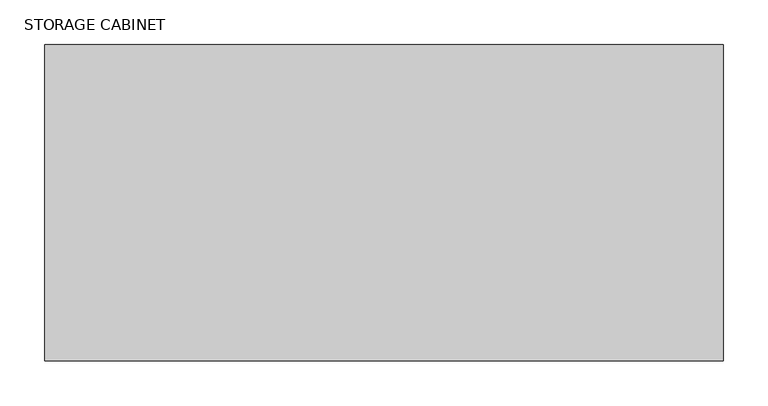
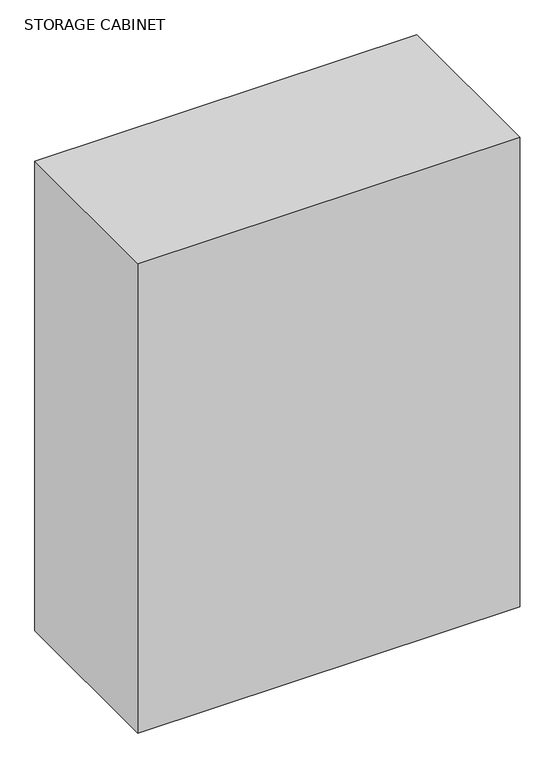
"""IFC4 building model written with IfcOpenShell, lengths in millimetres: proxy geometry, STORAGE CABINET."""

from ifc_helpers import new_model, si_unit, origin, origin_with_axes, place, context, project, spatial, polyline, outline, extrude, source, transform, mapped, element, save


def storage_cabinet_7b90c5ba(model_context):
    return source(origin(), model_context, "Body", "SweptSolid", [
        extrude(outline(polyline([(-381.0, 0.0), (381.0, 0.0), (381.0, -355.6), (-381.0, -355.6), (-381.0, 0.0)])), origin_with_axes(), (0.0, 0.0, 1.0), 990.6),
    ])


if __name__ == "__main__":
    model = new_model("IFC4")
    model_context = context("Model", 3, world=origin())
    ifc_project = project(units=[si_unit("LENGTHUNIT", "METRE", prefix="MILLI")], contexts=[model_context])
    site = spatial("IfcSite", under=ifc_project)
    building = spatial("IfcBuilding", under=site)
    placement = place(None, origin())
    storage_cabinet_shape = storage_cabinet_7b90c5ba(model_context)
    element("IfcBuildingElementProxy", 1, Name="STORAGE CABINET", ObjectType="STORAGE CABINET", at=placement, inside=building, context=model_context, shape_type="MappedRepresentation", body=[
        mapped(storage_cabinet_shape, transform((0.0, 0.0, 0.0), x_axis=(1.0, 0.0, 0.0), y_axis=(0.0, 1.0, 0.0), z_axis=(0.0, 0.0, 1.0))),
    ])
    save(model, "model.ifc")
